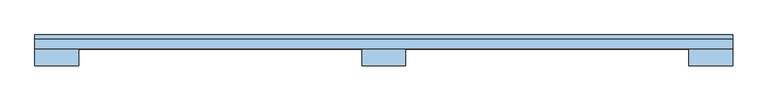
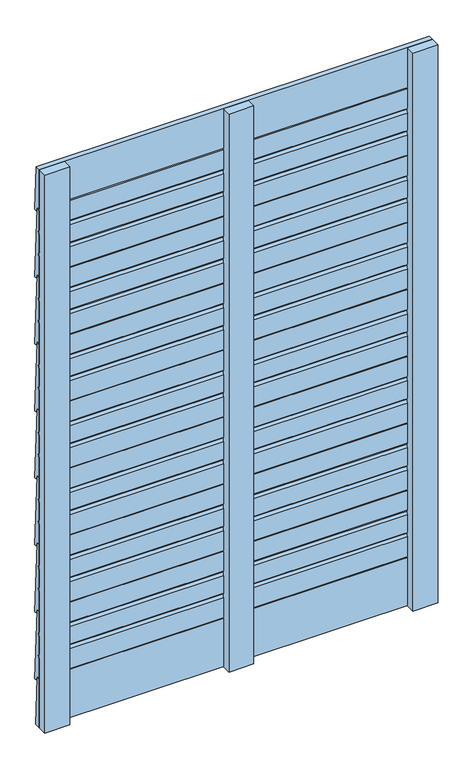
"""IFC4 building model written with IfcOpenShell, lengths in millimetres: window geometry."""

from ifc_helpers import new_model, si_unit, frame, origin, place, context, project, spatial, polyline, outline, extrude, source, transform, mapped, element, save


def window_bc473970(model_context):
    return source(origin(), model_context, "Body", "SweptSolid", [
        extrude(outline(polyline([(30.0001991, 297.3333333), (30.0001991, 344.6666667), (35.1979914, 350.6666667), (30.0001991, 356.6666667), (30.0001991, 410.0), (40.0094684, 410.0), (50.0078741, 220.0031481), (41.0853004, 220.9402731), (40.3857007, 232.0), (30.0001991, 232.0), (30.0001991, 285.3333333), (35.1979914, 291.3333333), (30.0001991, 297.3333333)])), frame((-500.0, 0.0, 0.0), z_axis=(1.0, 0.0, 0.0), x_axis=(0.0, 1.0, 0.0)), (0.0, 0.0, 1.0), 1000.0),
        extrude(outline(polyline([(30.0001991, 477.3333333), (30.0001991, 524.6666667), (35.1979914, 530.6666667), (30.0001991, 536.6666667), (30.0001991, 590.0), (40.0094684, 590.0), (50.0078741, 400.0031481), (41.0853004, 400.9402731), (40.3857007, 412.0), (30.0001991, 412.0), (30.0001991, 465.3333333), (35.1979914, 471.3333333), (30.0001991, 477.3333333)])), frame((-500.0, 0.0, 0.0), z_axis=(1.0, 0.0, 0.0), x_axis=(0.0, 1.0, 0.0)), (0.0, 0.0, 1.0), 1000.0),
        extrude(outline(polyline([(30.0001991, 657.3333333), (30.0001991, 704.6666667), (35.1979914, 710.6666667), (30.0001991, 716.6666667), (30.0001991, 770.0), (40.0094684, 770.0), (50.0078741, 580.0031481), (41.0853004, 580.9402731), (40.3857007, 592.0), (30.0001991, 592.0), (30.0001991, 645.3333333), (35.1979914, 651.3333333), (30.0001991, 657.3333333)])), frame((-500.0, 0.0, 0.0), z_axis=(1.0, 0.0, 0.0), x_axis=(0.0, 1.0, 0.0)), (0.0, 0.0, 1.0), 1000.0),
        extrude(outline(polyline([(30.0001991, 837.3333333), (30.0001991, 884.6666667), (35.1979914, 890.6666667), (30.0001991, 896.6666667), (30.0001991, 950.0), (40.0094684, 950.0), (50.0078741, 760.0031481), (41.0853004, 760.9402731), (40.3857007, 772.0), (30.0001991, 772.0), (30.0001991, 825.3333333), (35.1979914, 831.3333333), (30.0001991, 837.3333333)])), frame((-500.0, 0.0, 0.0), z_axis=(1.0, 0.0, 0.0), x_axis=(0.0, 1.0, 0.0)), (0.0, 0.0, 1.0), 1000.0),
        extrude(outline(polyline([(30.0001991, 1017.3333333), (30.0001991, 1064.6666667), (35.1979914, 1070.6666667), (30.0001991, 1076.6666667), (30.0001991, 1130.0), (40.0094684, 1130.0), (50.0078741, 940.0031481), (41.0853004, 940.9402731), (40.3857007, 952.0), (30.0001991, 952.0), (30.0001991, 1005.3333333), (35.1979914, 1011.3333333), (30.0001991, 1017.3333333)])), frame((-500.0, 0.0, 0.0), z_axis=(1.0, 0.0, 0.0), x_axis=(0.0, 1.0, 0.0)), (0.0, 0.0, 1.0), 1000.0),
        extrude(outline(polyline([(30.0001991, 1197.3333333), (30.0001991, 1244.6666667), (35.1979914, 1250.6666667), (30.0001991, 1256.6666667), (30.0001991, 1310.0), (40.0094684, 1310.0), (50.0078741, 1120.0031481), (41.0853004, 1120.9402731), (40.3857007, 1132.0), (30.0001991, 1132.0), (30.0001991, 1185.3333333), (35.1979914, 1191.3333333), (30.0001991, 1197.3333333)])), frame((-500.0, 0.0, 0.0), z_axis=(1.0, 0.0, 0.0), x_axis=(0.0, 1.0, 0.0)), (0.0, 0.0, 1.0), 1000.0),
        extrude(outline(polyline([(30.0001991, 1377.3333333), (30.0001991, 1424.6666667), (35.1979914, 1430.6666667), (30.0001991, 1436.6666667), (30.0001991, 1490.0), (40.0094684, 1490.0), (50.0078741, 1300.0031481), (41.0853004, 1300.9402731), (40.3857007, 1312.0), (30.0001991, 1312.0), (30.0001991, 1365.3333333), (35.1979914, 1371.3333333), (30.0001991, 1377.3333333)])), frame((-500.0, 0.0, 0.0), z_axis=(1.0, 0.0, 0.0), x_axis=(0.0, 1.0, 0.0)), (0.0, 0.0, 1.0), 1000.0),
        extrude(outline(polyline([(39.9998746, 230.0), (46.219851, 100.0), (30.0, 100.0), (30.0, 230.0), (39.9998746, 230.0)])), frame((-500.0, 0.0, 0.0), z_axis=(1.0, 0.0, 0.0), x_axis=(0.0, 1.0, 0.0)), (0.0, 0.0, 1.0), 1000.0),
        extrude(outline(polyline([(50.0039038, 1481.0031481), (41.0813302, 1481.9402731), (40.3817304, 1493.0), (30.0039038, 1493.0), (30.0039038, 1600.0), (43.7408079, 1600.0), (50.0039038, 1481.0031481)])), frame((-500.0, 0.0, 0.0), z_axis=(1.0, 0.0, 0.0), x_axis=(0.0, 1.0, 0.0)), (0.0, 0.0, 1.0), 1000.0),
        extrude(outline(polyline([(-31.5, 30.1), (31.5, 30.1), (31.5, 6.1), (-31.5, 6.1), (-31.5, 30.1)])), frame((0.0, 0.0, 100.0), z_axis=(0.0, 0.0, 1.0), x_axis=(1.0, 0.0, 0.0)), (0.0, 0.0, 1.0), 1500.0),
        extrude(outline(polyline([(-500.0, 30.0), (-437.0, 30.0), (-437.0, 6.0), (-500.0, 6.0), (-500.0, 30.0)])), frame((0.0, 0.0, 100.0), z_axis=(0.0, 0.0, 1.0), x_axis=(1.0, 0.0, 0.0)), (0.0, 0.0, 1.0), 1500.0),
        extrude(outline(polyline([(437.0, 30.0), (500.0, 30.0), (500.0, 6.0), (437.0, 6.0), (437.0, 30.0)])), frame((0.0, 0.0, 100.0), z_axis=(0.0, 0.0, 1.0), x_axis=(1.0, 0.0, 0.0)), (0.0, 0.0, 1.0), 1500.0),
    ])


if __name__ == "__main__":
    model = new_model("IFC4")
    model_context = context("Model", 3, world=origin())
    ifc_project = project(units=[si_unit("LENGTHUNIT", "METRE", prefix="MILLI")], contexts=[model_context])
    site = spatial("IfcSite", under=ifc_project)
    building = spatial("IfcBuilding", under=site)
    placement = place(None, origin())
    window_shape = window_bc473970(model_context)
    element("IfcWindow", 1, at=placement, inside=building, context=model_context, shape_type="MappedRepresentation", body=[
        mapped(window_shape, transform((0.0, 0.0, 0.0), x_axis=(1.0, 0.0, 0.0), y_axis=(0.0, 1.0, 0.0), z_axis=(0.0, 0.0, 1.0))),
    ])
    save(model, "model.ifc")
